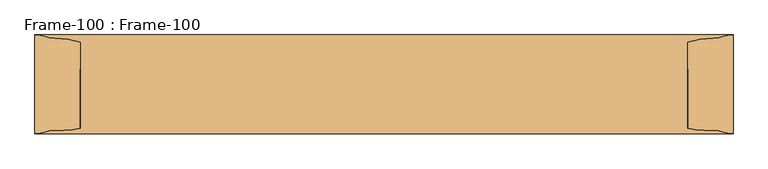
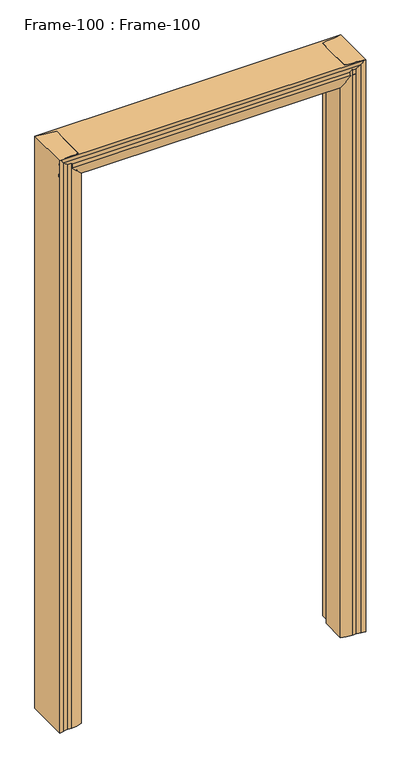
"""IFC4 building model written with IfcOpenShell, lengths in millimetres: door geometry, Frame-100 : Frame-100."""

from ifc_helpers import new_model, si_unit, frame, origin, place, context, project, spatial, polyline, circle_curve, ellipse_curve, source, transform, mapped, element, save
from ifc_brep_helpers import plane_surface, cylinder_surface, revolved_surface, advanced_brep


def frame_100_frame_100_811dc82e(model_context):
    return source(origin(), model_context, "Body", "AdvancedBrep", [
        advanced_brep(
        [(-584.2, -82.55, 0.0), (-584.2, 82.55, 0.0), (-568.7106804, 80.0334981, 0.0), (-551.2091669, 76.956654, 0.0), (-508.0, 69.85, 0.0), (-508.0, 25.4, 0.0), (-495.3, 25.4, 0.0), (-495.3, -69.85, 0.0), (-536.0430108, -76.956654, 0.0), (-551.2091669, -76.956654, 0.0), (-568.7106804, -80.0334981, 0.0), (-584.2, -82.55, 2311.4), (-584.2, 82.55, 2311.4), (-568.7106804, 80.0334981, 2311.4), (-551.2091669, 76.956654, 2311.4), (-508.0, 69.85, 2311.4), (-508.0, 25.4, 2311.4), (-495.3, 25.4, 2298.7), (-495.3, -69.85, 2298.7), (-508.0, -73.6437313, 2311.4), (-536.0430108, -76.956654, 2311.4), (-551.2091669, -76.956654, 2311.4), (-568.7106804, -80.0334981, 2311.4)],
        [
            (0, 1),
            (1, 2, circle_curve(frame((-583.1670501, 39.9805064, 0.0), z_axis=(0.0, 0.0, -1.0), x_axis=(-1.0, 0.0, 0.0)), 42.582024)),
            (2, 3, circle_curve(frame((-551.1225129, 128.7634863, 0.0), z_axis=(0.0, 0.0, 1.0), x_axis=(-1.0, 0.0, 0.0)), 51.8069047)),
            (3, 4, circle_curve(frame((-551.4371432, -59.3408202, 0.0), z_axis=(0.0, 0.0, -1.0), x_axis=(-1.0, 0.0, 0.0)), 136.2976648)),
            (4, 5),
            (5, 6),
            (6, 7),
            (7, 8, circle_curve(frame((-536.0430108, 43.3881292, 0.0), z_axis=(0.0, 0.0, -1.0), x_axis=(-1.0, 0.0, 0.0)), 120.3447831)),
            (8, 9),
            (9, 10, circle_curve(frame((-551.1225129, -128.7634863, 0.0), z_axis=(0.0, 0.0, 1.0), x_axis=(-1.0, 0.0, 0.0)), 51.8069048)),
            (10, 0, circle_curve(frame((-583.1670501, -39.9805064, 0.0), z_axis=(0.0, 0.0, -1.0), x_axis=(-1.0, 0.0, 0.0)), 42.582024)),
            (0, 11),
            (11, 12),
            (12, 1),
            (12, 13, circle_curve(frame((-583.1670501, 39.9805064, 2311.4), z_axis=(0.0, 0.0, -1.0), x_axis=(-1.0, 0.0, 0.0)), 42.582024)),
            (13, 2),
            (13, 14, circle_curve(frame((-551.1225129, 128.7634863, 2311.4), z_axis=(0.0, 0.0, 1.0), x_axis=(-1.0, 0.0, 0.0)), 51.8069047)),
            (14, 3),
            (14, 15, circle_curve(frame((-551.4371432, -59.3408202, 2311.4), z_axis=(0.0, 0.0, -1.0), x_axis=(-1.0, 0.0, 0.0)), 136.2976648)),
            (15, 4),
            (15, 16),
            (16, 5),
            (16, 17),
            (17, 6),
            (17, 18),
            (18, 7),
            (18, 19, ellipse_curve(frame((-536.0430108, 43.3881292, 2339.4430108), z_axis=(-0.7071067811865488, 0.0, -0.7071067811865464), x_axis=(0.7071067811865465, 0.0, -0.7071067811865487)), 170.1932244, 120.3447831)),
            (19, 20, circle_curve(frame((-536.0430108, 43.3881292, 2311.4), z_axis=(0.0, 0.0, -1.0), x_axis=(-1.0, 0.0, 0.0)), 120.3447831)),
            (20, 8),
            (20, 21),
            (21, 9),
            (21, 22, circle_curve(frame((-551.1225129, -128.7634863, 2311.4), z_axis=(0.0, 0.0, 1.0), x_axis=(-1.0, 0.0, 0.0)), 51.8069048)),
            (22, 10),
            (22, 11, circle_curve(frame((-583.1670501, -39.9805064, 2311.4), z_axis=(0.0, 0.0, -1.0), x_axis=(-1.0, 0.0, 0.0)), 42.582024)),
            (16, 19),
        ],
        [
            plane_surface(frame((-584.2, 69.85, 0.0), z_axis=(0.0, 0.0, -1.0), x_axis=(0.0, -1.0, 0.0))),
            plane_surface(frame((-584.2, -82.55, 0.0), z_axis=(-1.0, 0.0, 0.0), x_axis=(0.0, 0.0, 1.0))),
            cylinder_surface(frame((-583.1670501, 39.9805064, 0.0), z_axis=(0.0, 0.0, -1.0), x_axis=(-1.0, 0.0, 0.0)), 42.582024),
            revolved_surface(polyline([(-602.9294176, 128.7634863, 2311.4), (-602.9294176, 128.7634863, 0.0)]), (-551.1225129, 128.7634863, 0.0), (0.0, 0.0, 1.0)),
            cylinder_surface(frame((-551.4371432, -59.3408202, 0.0), z_axis=(0.0, 0.0, -1.0), x_axis=(-1.0, 0.0, 0.0)), 136.2976648),
            plane_surface(frame((-508.0, 69.85, 0.0), z_axis=(1.0, 0.0, 0.0), x_axis=(0.0, 0.0, 1.0))),
            plane_surface(frame((-508.0, 25.4, 0.0), z_axis=(0.0, 1.0, 0.0), x_axis=(0.0, 0.0, 1.0))),
            plane_surface(frame((-495.3, 25.4, 0.0), z_axis=(1.0, 0.0, 0.0), x_axis=(0.0, 0.0, 1.0))),
            cylinder_surface(frame((-536.0430108, 43.3881292, 0.0), z_axis=(0.0, 0.0, -1.0), x_axis=(-1.0, 0.0, 0.0)), 120.3447831),
            plane_surface(frame((-536.0430108, -76.956654, 0.0), z_axis=(0.0, -1.0, 0.0), x_axis=(0.0, 0.0, 1.0))),
            revolved_surface(polyline([(-602.9294176999999, -128.7634863, 2311.4), (-602.9294176999999, -128.7634863, 0.0)]), (-551.1225129, -128.7634863, 0.0), (0.0, 0.0, 1.0)),
            cylinder_surface(frame((-583.1670501, -39.9805064, 0.0), z_axis=(0.0, 0.0, -1.0), x_axis=(-1.0, 0.0, 0.0)), 42.582024),
            plane_surface(frame((-508.0, -107.95, 2311.4), z_axis=(0.7071067811865488, 0.0, 0.7071067811865464), x_axis=(0.0, 1.0, 0.0))),
            plane_surface(frame((-584.2, 69.85, 2311.4), z_axis=(0.0, 0.0, 1.0), x_axis=(0.0, -1.0, 0.0))),
        ],
        [
            (0, [[1, 2, 3, 4, 5, 6, 7, 8, 9, 10, 11]]),
            (1, [[-1, 12, 13, 14]]),
            (2, [[-2, -14, 15, 16]]),
            (3, [[-3, -16, 17, 18]]),
            (4, [[-4, -18, 19, 20]]),
            (5, [[-5, -20, 21, 22]]),
            (6, [[-6, -22, 23, 24]]),
            (7, [[-7, -24, 25, 26]]),
            (8, [[-8, -26, 27, 28, 29]]),
            (9, [[-9, -29, 30, 31]]),
            (10, [[-10, -31, 32, 33]]),
            (11, [[-11, -33, 34, -12]]),
            (12, [[-27, -25, -23, 35]]),
            (13, [[-34, -32, -30, -28, -35, -21, -19, -17, -15, -13]]),
        ],
    ),
        advanced_brep(
        [(584.2, -82.55, 0.0), (568.7106804, -80.0334981, 0.0), (551.2091669, -76.956654, 0.0), (536.0430108, -76.956654, 0.0), (495.3, -69.85, 0.0), (495.3, 25.4, 0.0), (508.0, 25.4, 0.0), (508.0, 69.85, 0.0), (551.2091669, 76.956654, 0.0), (568.7106804, 80.0334981, 0.0), (584.2, 82.55, 0.0), (584.2, -82.55, 2311.4), (568.7106804, -80.0334981, 2311.4), (551.2091669, -76.956654, 2311.4), (536.0430108, -76.956654, 2311.4), (508.0, -73.6437313, 2311.4), (495.3, -69.85, 2298.7), (495.3, 25.4, 2298.7), (508.0, 25.4, 2311.4), (508.0, 69.85, 2311.4), (551.2091669, 76.956654, 2311.4), (568.7106804, 80.0334981, 2311.4), (584.2, 82.55, 2311.4)],
        [
            (0, 1, circle_curve(frame((583.1670501, -39.9805064, 0.0), z_axis=(0.0, 0.0, -1.0), x_axis=(-1.0, 0.0, 0.0)), 42.582024)),
            (1, 2, circle_curve(frame((551.1225129, -128.7634863, 0.0), z_axis=(0.0, 0.0, 1.0), x_axis=(-1.0, 0.0, 0.0)), 51.8069048)),
            (2, 3),
            (3, 4, circle_curve(frame((536.0430108, 43.3881292, 0.0), z_axis=(0.0, 0.0, -1.0), x_axis=(-1.0, 0.0, 0.0)), 120.3447831)),
            (4, 5),
            (5, 6),
            (6, 7),
            (7, 8, circle_curve(frame((551.4371432, -59.3408202, 0.0), z_axis=(0.0, 0.0, -1.0), x_axis=(-1.0, 0.0, 0.0)), 136.2976648)),
            (8, 9, circle_curve(frame((551.1225129, 128.7634863, 0.0), z_axis=(0.0, 0.0, 1.0), x_axis=(-1.0, 0.0, 0.0)), 51.8069048)),
            (9, 10, circle_curve(frame((583.1670501, 39.9805064, 0.0), z_axis=(0.0, 0.0, -1.0), x_axis=(-1.0, 0.0, 0.0)), 42.582024)),
            (10, 0),
            (0, 11),
            (11, 12, circle_curve(frame((583.1670501, -39.9805064, 2311.4), z_axis=(0.0, 0.0, -1.0), x_axis=(-1.0, 0.0, 0.0)), 42.582024)),
            (12, 1),
            (12, 13, circle_curve(frame((551.1225129, -128.7634863, 2311.4), z_axis=(0.0, 0.0, 1.0), x_axis=(-1.0, 0.0, 0.0)), 51.8069048)),
            (13, 2),
            (13, 14),
            (14, 3),
            (14, 15, circle_curve(frame((536.0430108, 43.3881292, 2311.4), z_axis=(0.0, 0.0, -1.0), x_axis=(-1.0, 0.0, 0.0)), 120.3447831)),
            (15, 16, ellipse_curve(frame((536.0430108, 43.3881292, 2339.4430108), z_axis=(0.7071067811865469, 0.0, -0.7071067811865481), x_axis=(-0.7071067811865481, 0.0, -0.7071067811865469)), 170.1932244, 120.3447831)),
            (16, 4),
            (16, 17),
            (17, 5),
            (17, 18),
            (18, 6),
            (18, 19),
            (19, 7),
            (19, 20, circle_curve(frame((551.4371432, -59.3408202, 2311.4), z_axis=(0.0, 0.0, -1.0), x_axis=(-1.0, 0.0, 0.0)), 136.2976648)),
            (20, 8),
            (20, 21, circle_curve(frame((551.1225129, 128.7634863, 2311.4), z_axis=(0.0, 0.0, 1.0), x_axis=(-1.0, 0.0, 0.0)), 51.8069048)),
            (21, 9),
            (21, 22, circle_curve(frame((583.1670501, 39.9805064, 2311.4), z_axis=(0.0, 0.0, -1.0), x_axis=(-1.0, 0.0, 0.0)), 42.582024)),
            (22, 10),
            (22, 11),
            (15, 18),
        ],
        [
            plane_surface(frame((584.2, 69.85, 0.0), z_axis=(0.0, 0.0, -1.0), x_axis=(0.0, -1.0, 0.0))),
            cylinder_surface(frame((583.1670501, -39.9805064, 0.0), z_axis=(0.0, 0.0, -1.0), x_axis=(-1.0, 0.0, 0.0)), 42.582024),
            revolved_surface(polyline([(499.31560809999996, -128.7634863, 2311.4), (499.31560809999996, -128.7634863, 0.0)]), (551.1225129, -128.7634863, 0.0), (0.0, 0.0, 1.0)),
            plane_surface(frame((551.2091669, -76.956654, 0.0), z_axis=(0.0, -1.0, 0.0), x_axis=(0.0, 0.0, 1.0))),
            cylinder_surface(frame((536.0430108, 43.3881292, 0.0), z_axis=(0.0, 0.0, -1.0), x_axis=(-1.0, 0.0, 0.0)), 120.3447831),
            plane_surface(frame((495.3, -69.85, 0.0), z_axis=(-1.0, 0.0, 0.0), x_axis=(0.0, 0.0, 1.0))),
            plane_surface(frame((495.3, 25.4, 0.0), z_axis=(0.0, 1.0, 0.0), x_axis=(0.0, 0.0, 1.0))),
            plane_surface(frame((508.0, 25.4, 0.0), z_axis=(-1.0, 0.0, 0.0), x_axis=(0.0, 0.0, 1.0))),
            cylinder_surface(frame((551.4371432, -59.3408202, 0.0), z_axis=(0.0, 0.0, -1.0), x_axis=(-1.0, 0.0, 0.0)), 136.2976648),
            revolved_surface(polyline([(499.31560809999996, 128.7634863, 2311.4), (499.31560809999996, 128.7634863, 0.0)]), (551.1225129, 128.7634863, 0.0), (0.0, 0.0, 1.0)),
            cylinder_surface(frame((583.1670501, 39.9805064, 0.0), z_axis=(0.0, 0.0, -1.0), x_axis=(-1.0, 0.0, 0.0)), 42.582024),
            plane_surface(frame((584.2, 82.55, 0.0), z_axis=(1.0, 0.0, 0.0), x_axis=(0.0, 0.0, 1.0))),
            plane_surface(frame((469.9, -107.95, 2273.3), z_axis=(-0.7071067811865469, 0.0, 0.7071067811865481), x_axis=(0.0, 1.0, 0.0))),
            plane_surface(frame((584.2, 69.85, 2311.4), z_axis=(0.0, 0.0, 1.0), x_axis=(0.0, -1.0, 0.0))),
        ],
        [
            (0, [[1, 2, 3, 4, 5, 6, 7, 8, 9, 10, 11]]),
            (1, [[-1, 12, 13, 14]]),
            (2, [[-2, -14, 15, 16]]),
            (3, [[-3, -16, 17, 18]]),
            (4, [[-4, -18, 19, 20, 21]]),
            (5, [[-5, -21, 22, 23]]),
            (6, [[-6, -23, 24, 25]]),
            (7, [[-7, -25, 26, 27]]),
            (8, [[-8, -27, 28, 29]]),
            (9, [[-9, -29, 30, 31]]),
            (10, [[-10, -31, 32, 33]]),
            (11, [[-11, -33, 34, -12]]),
            (12, [[-20, 35, -24, -22]]),
            (13, [[-13, -34, -32, -30, -28, -26, -35, -19, -17, -15]]),
        ],
    ),
        advanced_brep(
        [(-584.2, -82.55, 2311.4), (-584.2, -80.0334981, 2295.9106804), (584.2, -80.0334981, 2295.9106804), (584.2, -82.55, 2311.4), (-584.2, -76.956654, 2278.4091669), (584.2, -76.956654, 2278.4091669), (-584.2, -76.956654, 2263.2430108), (584.2, -76.956654, 2263.2430108), (-584.2, -73.6437313, 2235.2), (-571.5, -69.85, 2222.5), (546.1, -69.85, 2222.5), (584.2, -73.6437313, 2235.2), (546.1, 25.4, 2222.5), (-571.5, 25.4, 2222.5), (-584.2, 25.4, 2235.2), (584.2, 25.4, 2235.2), (-584.2, 69.85, 2235.2), (584.2, 69.85, 2235.2), (-584.2, 76.956654, 2278.4091669), (584.2, 76.956654, 2278.4091669), (-584.2, 80.0334981, 2295.9106804), (584.2, 80.0334981, 2295.9106804), (-584.2, 82.55, 2311.4), (584.2, 82.55, 2311.4)],
        [
            (0, 1, circle_curve(frame((-584.2, -39.9805064, 2310.3670501), z_axis=(1.0, 0.0, 0.0), x_axis=(0.0, 0.0, 1.0)), 42.582024)),
            (1, 2),
            (2, 3, circle_curve(frame((584.2, -39.9805064, 2310.3670501), z_axis=(-1.0, 0.0, 0.0), x_axis=(0.0, 0.0, 1.0)), 42.582024)),
            (3, 0),
            (1, 4, circle_curve(frame((-584.2, -128.7634863, 2278.3225129), z_axis=(-1.0, 0.0, 0.0), x_axis=(0.0, 0.0, 1.0)), 51.8069048)),
            (4, 5),
            (5, 2, circle_curve(frame((584.2, -128.7634863, 2278.3225129), z_axis=(1.0, 0.0, 0.0), x_axis=(0.0, 0.0, 1.0)), 51.8069048)),
            (4, 6),
            (6, 7),
            (7, 5),
            (6, 8, circle_curve(frame((-584.2, 43.3881292, 2263.2430108), z_axis=(1.0, 0.0, 0.0), x_axis=(0.0, 0.0, 1.0)), 120.3447831)),
            (8, 9, ellipse_curve(frame((-612.2430108, 43.3881292, 2263.2430108), z_axis=(0.7071067811865519, 0.0, 0.7071067811865431), x_axis=(-0.7071067811865431, 0.0, 0.7071067811865519)), 170.1932244, 120.3447831)),
            (9, 10),
            (10, 11, ellipse_curve(frame((668.3290324, 43.3881292, 2263.2430108), z_axis=(-0.3162277660168671, 0.0, 0.9486832980505041), x_axis=(-0.948683298050504, 0.0, -0.3162277660168671)), 380.5636192, 120.3447831)),
            (11, 7, circle_curve(frame((584.2, 43.3881292, 2263.2430108), z_axis=(-1.0, 0.0, 0.0), x_axis=(0.0, 0.0, 1.0)), 120.3447831)),
            (12, 10),
            (9, 13),
            (13, 12),
            (14, 15),
            (15, 12),
            (13, 14),
            (14, 16),
            (16, 17),
            (17, 15),
            (16, 18, circle_curve(frame((-584.2, -59.3408202, 2278.6371432), z_axis=(1.0, 0.0, 0.0), x_axis=(0.0, 0.0, 1.0)), 136.2976648)),
            (18, 19),
            (19, 17, circle_curve(frame((584.2, -59.3408202, 2278.6371432), z_axis=(-1.0, 0.0, 0.0), x_axis=(0.0, 0.0, 1.0)), 136.2976648)),
            (18, 20, circle_curve(frame((-584.2, 128.7634863, 2278.3225129), z_axis=(-1.0, 0.0, 0.0), x_axis=(0.0, 0.0, 1.0)), 51.8069048)),
            (20, 21),
            (21, 19, circle_curve(frame((584.2, 128.7634863, 2278.3225129), z_axis=(1.0, 0.0, 0.0), x_axis=(0.0, 0.0, 1.0)), 51.8069048)),
            (20, 22, circle_curve(frame((-584.2, 39.9805064, 2310.3670501), z_axis=(1.0, 0.0, 0.0), x_axis=(0.0, 0.0, 1.0)), 42.582024)),
            (22, 23),
            (23, 21, circle_curve(frame((584.2, 39.9805064, 2310.3670501), z_axis=(-1.0, 0.0, 0.0), x_axis=(0.0, 0.0, 1.0)), 42.582024)),
            (22, 0),
            (3, 23),
            (15, 11),
            (8, 14),
        ],
        [
            cylinder_surface(frame((-584.2, -39.9805064, 2310.3670501), z_axis=(-1.0, 0.0, 0.0), x_axis=(0.0, 0.0, 1.0)), 42.582024),
            revolved_surface(polyline([(584.2, -128.7634863, 2330.1294177000004), (-584.2, -128.7634863, 2330.1294177000004)]), (-584.2, -128.7634863, 2278.3225129), (1.0, 0.0, 0.0)),
            plane_surface(frame((-584.2, -76.956654, 2263.2430108), z_axis=(0.0, -1.0, 0.0), x_axis=(1.0, 0.0, 0.0))),
            cylinder_surface(frame((-584.2, 43.3881292, 2263.2430108), z_axis=(-1.0, 0.0, 0.0), x_axis=(0.0, 0.0, 1.0)), 120.3447831),
            plane_surface(frame((-584.2, 25.4, 2222.5), z_axis=(0.0, 0.0, -1.0), x_axis=(1.0, 0.0, 0.0))),
            plane_surface(frame((-584.2, 25.4, 2235.2), z_axis=(0.0, 1.0, 0.0), x_axis=(1.0, 0.0, 0.0))),
            plane_surface(frame((-584.2, 69.85, 2235.2), z_axis=(0.0, 0.0, -1.0), x_axis=(1.0, 0.0, 0.0))),
            cylinder_surface(frame((-584.2, -59.3408202, 2278.6371432), z_axis=(-1.0, 0.0, 0.0), x_axis=(0.0, 0.0, 1.0)), 136.2976648),
            revolved_surface(polyline([(584.2, 128.7634863, 2330.1294177000004), (-584.2, 128.7634863, 2330.1294177000004)]), (-584.2, 128.7634863, 2278.3225129), (1.0, 0.0, 0.0)),
            cylinder_surface(frame((-584.2, 39.9805064, 2310.3670501), z_axis=(-1.0, 0.0, 0.0), x_axis=(0.0, 0.0, 1.0)), 42.582024),
            plane_surface(frame((-584.2, -82.55, 2311.4), z_axis=(0.0, 0.0, 1.0), x_axis=(1.0, 0.0, 0.0))),
            plane_surface(frame((584.2, -107.95, 2235.2), z_axis=(0.3162277660168671, 0.0, -0.9486832980505041), x_axis=(0.0, 1.0, 0.0))),
            plane_surface(frame((-546.1, -107.95, 2197.1), z_axis=(-0.7071067811865519, 0.0, -0.7071067811865431), x_axis=(0.0, 1.0, 0.0))),
            plane_surface(frame((-584.2, 69.85, 2311.4), z_axis=(-1.0, 0.0, 0.0), x_axis=(0.0, -1.0, 0.0))),
            plane_surface(frame((584.2, 69.85, 2311.4), z_axis=(1.0, 0.0, 0.0), x_axis=(0.0, -1.0, 0.0))),
        ],
        [
            (0, [[1, 2, 3, 4]]),
            (1, [[5, 6, 7, -2]]),
            (2, [[8, 9, 10, -6]]),
            (3, [[-9, 11, 12, 13, 14, 15]]),
            (4, [[16, -13, 17, 18]]),
            (5, [[19, 20, -18, 21]]),
            (6, [[22, 23, 24, -19]]),
            (7, [[25, 26, 27, -23]]),
            (8, [[28, 29, 30, -26]]),
            (9, [[31, 32, 33, -29]]),
            (10, [[34, -4, 35, -32]]),
            (11, [[-14, -16, -20, 36]]),
            (12, [[37, -21, -17, -12]]),
            (13, [[-34, -31, -28, -25, -22, -37, -11, -8, -5, -1]]),
            (14, [[-3, -7, -10, -15, -36, -24, -27, -30, -33, -35]]),
        ],
    ),
    ])


if __name__ == "__main__":
    model = new_model("IFC4")
    model_context = context("Model", 3, world=origin())
    ifc_project = project(units=[si_unit("LENGTHUNIT", "METRE", prefix="MILLI")], contexts=[model_context])
    site = spatial("IfcSite", under=ifc_project)
    building = spatial("IfcBuilding", under=site)
    placement = place(None, origin())
    frame_100_frame_100_shape = frame_100_frame_100_811dc82e(model_context)
    element("IfcDoor", 1, ObjectType="Frame-100 : Frame-100", at=placement, inside=building, context=model_context, shape_type="MappedRepresentation", body=[
        mapped(frame_100_frame_100_shape, transform((0.0, 0.0, 0.0), x_axis=(1.0, 0.0, 0.0), y_axis=(0.0, 1.0, 0.0), z_axis=(0.0, 0.0, 1.0))),
    ])
    save(model, "model.ifc")
